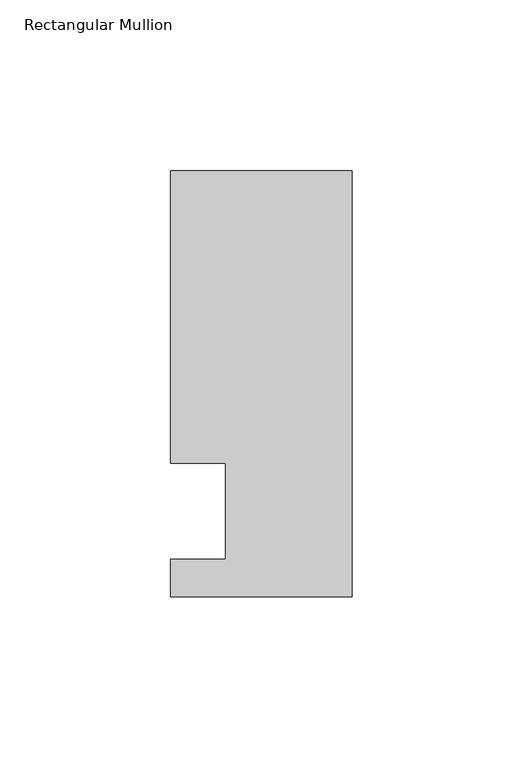
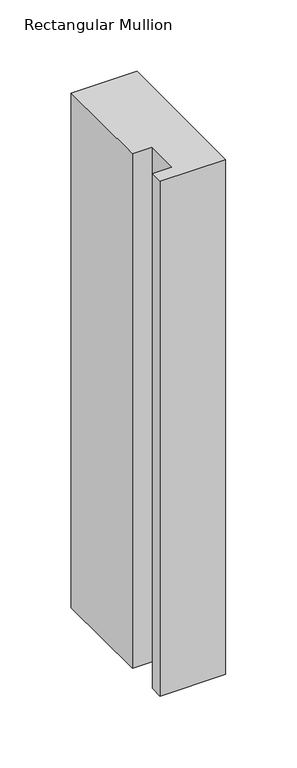
"""IFC4 building model written with IfcOpenShell, lengths in millimetres: member geometry, Rectangular Mullion."""

from ifc_helpers import new_model, si_unit, frame, origin, place, context, project, spatial, polyline, outline, extrude, source, transform, mapped, element, save


def rectangular_mullion_2fc66eb7(model_context):
    return source(origin(), model_context, "Body", "SweptSolid", [
        extrude(outline(polyline([(-37.0, -13.9999453), (-37.0, 14.0000547), (-53.0, 14.0000547), (-53.0, 99.5000547), (0.0, 99.5000547), (0.0, -24.9999453), (-53.0, -24.9999453), (-53.0, -13.9999453), (-37.0, -13.9999453)])), frame((0.0, 0.0, -440.1322637), z_axis=(0.0, 0.0, 1.0), x_axis=(1.0, 0.0, 0.0)), (0.0, 0.0, 1.0), 440.1322637),
    ])


if __name__ == "__main__":
    model = new_model("IFC4")
    model_context = context("Model", 3, world=origin())
    ifc_project = project(units=[si_unit("LENGTHUNIT", "METRE", prefix="MILLI")], contexts=[model_context])
    site = spatial("IfcSite", under=ifc_project)
    building = spatial("IfcBuilding", under=site)
    placement = place(None, origin())
    rectangular_mullion_shape = rectangular_mullion_2fc66eb7(model_context)
    element("IfcMember", 1, ObjectType="Rectangular Mullion", at=placement, inside=building, context=model_context, shape_type="MappedRepresentation", body=[
        mapped(rectangular_mullion_shape, transform((0.0, 0.0, 0.0), x_axis=(1.0, 0.0, 0.0), y_axis=(0.0, 1.0, 0.0), z_axis=(0.0, 0.0, 1.0))),
    ])
    save(model, "model.ifc")
